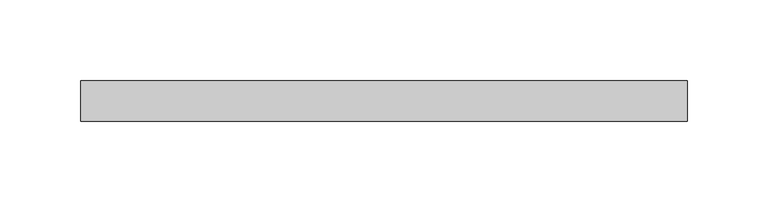
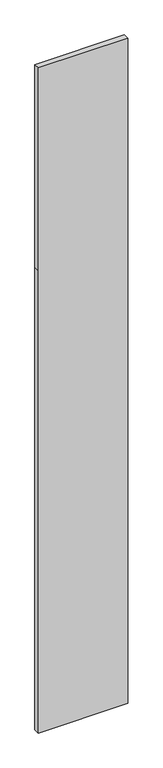
"""IFC4 building model written with IfcOpenShell, lengths in millimetres: plate geometry."""

from ifc_helpers import new_model, si_unit, frame, origin, place, context, project, spatial, polyline, outline, extrude, source, transform, mapped, element, save


def plate_bb26d9c7(model_context):
    return source(origin(), model_context, "Body", "SweptSolid", [
        extrude(outline(polyline([(0.0, -187.5), (0.0, 187.5), (2050.0, 187.5), (2950.0, 187.5), (2950.0, -187.5), (2050.0, -187.5), (0.0, -187.5)])), frame((0.0, -49.5, 0.0), z_axis=(0.0, 1.0, 0.0), x_axis=(0.0, 0.0, 1.0)), (0.0, 0.0, 1.0), 25.0),
    ])


if __name__ == "__main__":
    model = new_model("IFC4")
    model_context = context("Model", 3, world=origin())
    ifc_project = project(units=[si_unit("LENGTHUNIT", "METRE", prefix="MILLI")], contexts=[model_context])
    site = spatial("IfcSite", under=ifc_project)
    building = spatial("IfcBuilding", under=site)
    placement = place(None, origin())
    plate_shape = plate_bb26d9c7(model_context)
    element("IfcPlate", 1, at=placement, inside=building, context=model_context, shape_type="MappedRepresentation", body=[
        mapped(plate_shape, transform((0.0, 0.0, 0.0), x_axis=(1.0, 0.0, 0.0), y_axis=(0.0, 1.0, 0.0), z_axis=(0.0, 0.0, 1.0))),
    ])
    save(model, "model.ifc")
